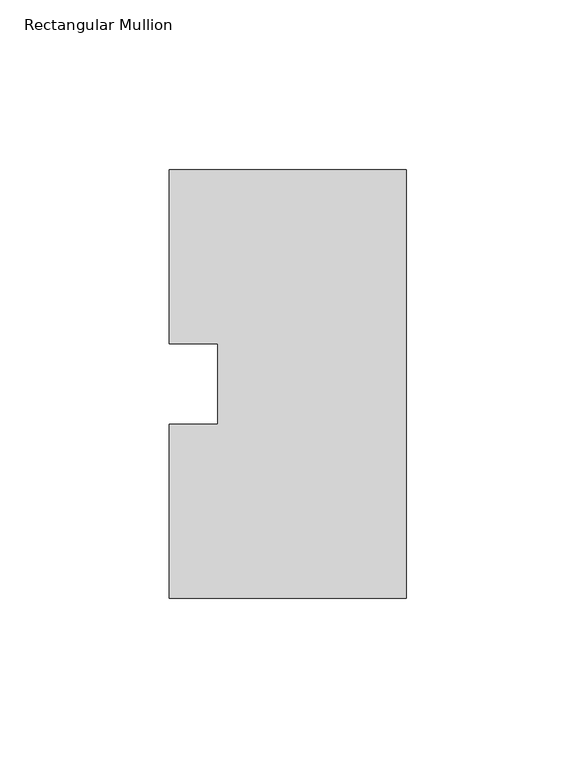
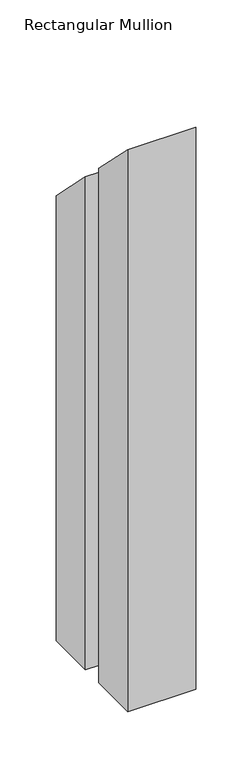
"""IFC4 building model written with IfcOpenShell, lengths in millimetres: member geometry, Rectangular Mullion."""

from ifc_helpers import new_model, si_unit, origin, place, context, project, spatial, faceted_brep, source, transform, mapped, element, save


def rectangular_mullion_38d9838f(model_context):
    return source(origin(), model_context, "Body", "Brep", [
        faceted_brep([(-69.85, 0.26035, -609.56825), (-69.85, 51.60645, -609.56825), (-55.5625, 51.60645, -609.56825), (-55.5625, 75.40625, -609.56825), (-69.85, 75.40625, -609.56825), (-69.85, 126.75235, -609.56825), (0.0, 126.75235, -609.56825), (0.0, 0.26035, -609.56825), (-55.5625, 51.60645, -51.60645), (-55.5625, 75.40625, -75.40625), (-69.85, 75.40625, -75.40625), (-69.85, 126.75235, -126.75235), (0.0, 126.75235, -126.75235), (0.0, 0.26035, -0.26035), (-69.85, 51.60645, -51.60645), (-69.85, 0.26035, -0.26035)], [[[0, 1, 2, 3, 4, 5, 6, 7]], [[8, 9, 3, 2]], [[9, 10, 4, 3]], [[10, 11, 5, 4]], [[11, 12, 6, 5]], [[12, 13, 7, 6]], [[14, 8, 2, 1]], [[13, 15, 0, 7]], [[15, 14, 1, 0]], [[15, 13, 12, 11, 10, 9, 8, 14]]]),
    ])


if __name__ == "__main__":
    model = new_model("IFC4")
    model_context = context("Model", 3, world=origin())
    ifc_project = project(units=[si_unit("LENGTHUNIT", "METRE", prefix="MILLI")], contexts=[model_context])
    site = spatial("IfcSite", under=ifc_project)
    building = spatial("IfcBuilding", under=site)
    placement = place(None, origin())
    rectangular_mullion_shape = rectangular_mullion_38d9838f(model_context)
    element("IfcMember", 1, ObjectType="Rectangular Mullion", at=placement, inside=building, context=model_context, shape_type="MappedRepresentation", body=[
        mapped(rectangular_mullion_shape, transform((0.0, 0.0, 0.0), x_axis=(1.0, 0.0, 0.0), y_axis=(0.0, 1.0, 0.0), z_axis=(0.0, 0.0, 1.0))),
    ])
    save(model, "model.ifc")
